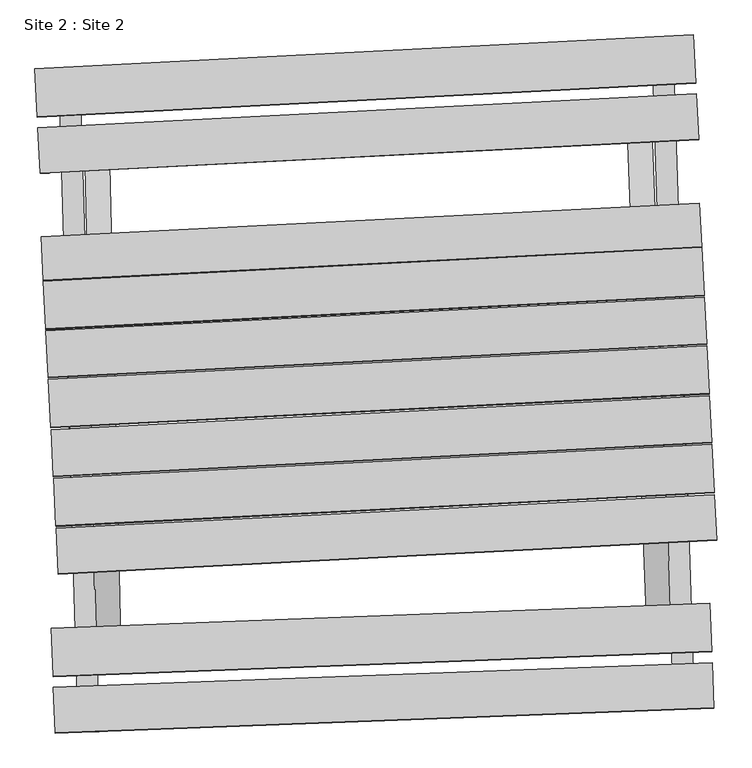
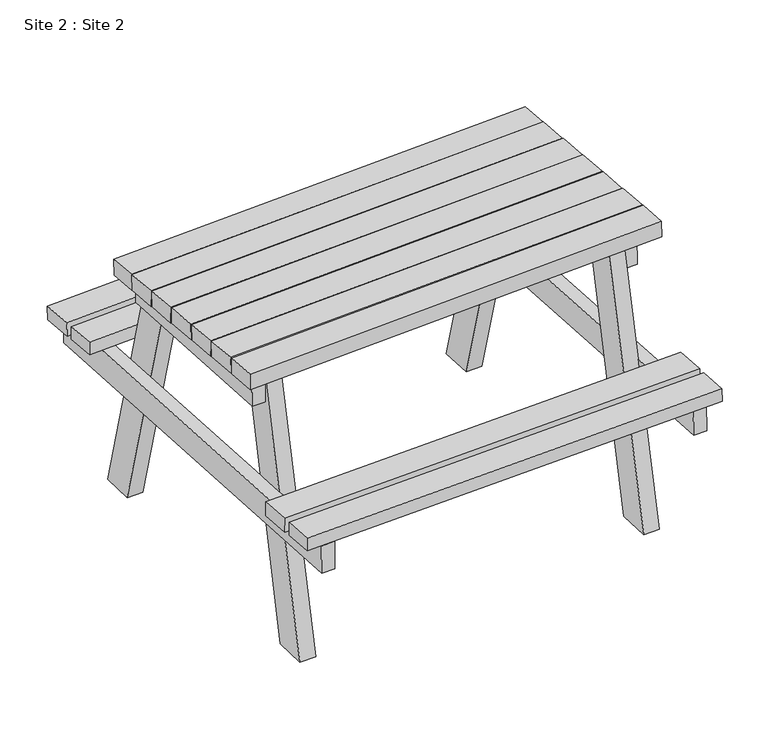
"""IFC4 building model written with IfcOpenShell, lengths in millimetres: geographic element geometry, Site 2 : Site 2."""

from ifc_helpers import new_model, si_unit, frame, origin, place, context, project, spatial, polyline, outline, extrude, source, transform, mapped, element, save


def site_2_site_2_727d0e8b(model_context):
    return source(origin(), model_context, "Body", "SweptSolid", [
        extrude(outline(polyline([(0.0, -1325.7395413), (0.0, 0.0), (41.9242065, 0.0), (41.9242065, -1325.7395414), (0.0, -1325.7395413)])), frame((-47779.3174229, 45191.5875393, 108672.5891003), z_axis=(-0.0006735966751190146, 0.023008745393763918, 0.9997350368487263), x_axis=(0.9995717425342412, 0.029263142809015215, 0.0)), (0.0, 0.0, 1.0), 88.5834396),
        extrude(outline(polyline([(1e-07, -603.8437159), (0.0, 0.0), (41.9242065, -1e-07), (41.9242066, -603.8437159), (1e-07, -603.8437159)])), frame((-47764.4378251, 44827.0014547, 109021.874413), z_axis=(-0.0006686049823234449, 0.029676223269421292, 0.9995593402794261), x_axis=(0.9997462963799275, 0.022524273009759774, 0.0)), (0.0, 0.0, 1.0), 88.5834396),
        extrude(outline(polyline([(-859.0754029, 0.0), (0.0, 0.0), (109.7326039, -595.6709648), (-643.5437971, -975.0458667), (-665.0274029, -875.4091455), (8.1948158, -536.5313584), (-73.3138899, -94.6874615), (-837.4827433, -100.1424912), (-859.0754029, 0.0)])), frame((-47708.9889449, 44227.1771666, 109128.6260445), z_axis=(0.9997462963799291, 0.022524273009691717, 0.0), x_axis=(-0.00474756187785273, 0.21072189109899578, 0.977534523824033)), (0.0, 0.0, 1.0), 49.4398903),
        extrude(outline(polyline([(1e-07, -1323.6318325), (0.0, 0.0), (41.9242066, 0.0), (41.9242065, -1323.6318325), (1e-07, -1323.6318325)])), frame((-46506.3838106, 43928.3999387, 108703.0695695), z_axis=(-0.0007454031878375496, 0.023006531054533895, 0.9997350368487266), x_axis=(-0.9994755447241307, -0.03238264193054949, 0.0)), (0.0, 0.0, 1.0), 88.5834396),
        extrude(outline(polyline([(-1e-07, -603.8437159), (0.0, 0.0), (41.9242065, 1e-07), (41.9242065, -603.8437159), (-1e-07, -603.8437159)])), frame((-46518.0102982, 44283.0612813, 109039.8110745), z_axis=(-0.0011612125092832738, 0.029661032444391146, 0.999559340279426), x_axis=(-0.9992345408601923, -0.03911946257198472, 0.0)), (0.0, 0.0, 1.0), 88.5834396),
        extrude(outline(polyline([(0.0, 0.0), (-181.0719321, -839.7758649), (-786.4897947, -821.4905081), (-998.5697499, -5.1739365), (-896.6432003, -5.1739365), (-707.2771234, -734.698987), (-258.1794327, -748.151222), (-102.4439433, 0.0), (0.0, 0.0)])), frame((-46602.3249465, 44101.2083746, 108288.8624928), z_axis=(0.9992345408601934, 0.039119462571955546, 0.0), x_axis=(0.039119462571955546, -0.9992345408601934, 0.0)), (0.0, 0.0, 1.0), 49.4398903),
        extrude(outline(polyline([(0.0, -90.9539625), (0.0, 0.0), (1320.8588335, 0.0), (1320.8588335, -90.9539625), (0.0, -90.9539625)])), frame((-46497.2678621, 45053.4026696, 108769.6357031), z_axis=(-0.0008199071821712255, 0.016002507034027773, 0.9998716155191317), x_axis=(-0.9986900060353021, -0.051169051634834456, 0.0)), (0.0, 0.0, 1.0), 40.9034889),
        extrude(outline(polyline([(0.0, -95.9533206), (0.0, 0.0), (1320.8588336, -1e-07), (1320.8588336, -95.9533205), (0.0, -95.9533206)])), frame((-46503.0445859, 45166.1496556, 108765.0412199), z_axis=(-0.0013570840258460767, 0.026486835512112086, 0.9996482410665769), x_axis=(-0.9986900060353021, -0.051169051634834456, 0.0)), (0.0, 0.0, 1.0), 44.0508154),
        extrude(outline(polyline([(-1e-07, -90.9539624), (0.0, 0.0), (1320.8588335, 0.0), (1320.8588335, -90.9539625), (-1e-07, -90.9539624)])), frame((-46466.5982772, 43915.0008203, 108793.6424435), z_axis=(-0.0006021319283227957, 0.01601218024824878, 0.999871615519132), x_axis=(-0.9992936953414394, -0.03757805810377139, 0.0)), (0.0, 0.0, 1.0), 40.9034889),
        extrude(outline(polyline([(0.0, -95.9533205), (0.0, 0.0), (1320.8588335, 0.0), (1320.8588335, -95.9533206), (0.0, -95.9533205)])), frame((-46470.8406474, 44027.8159598, 108789.0479603), z_axis=(-0.0009966294223875513, 0.02650284630550688, 0.9996482410665771), x_axis=(-0.9992936953414394, -0.03757805810377139, 0.0)), (0.0, 0.0, 1.0), 44.0508154),
        extrude(outline(polyline([(0.0, -90.9539625), (0.0, 0.0), (1320.8588336, 0.0), (1320.8588336, -90.9539625), (0.0, -90.9539625)])), frame((-46460.9029425, 44251.0644361, 109129.2471213), z_axis=(-0.0008199071821713037, 0.0160025070340293, 0.9998716155191318), x_axis=(-0.9986900060353021, -0.051169051634834456, 0.0)), (0.0, 0.0, 1.0), 50.9022051),
        extrude(outline(polyline([(0.0, -95.9533206), (0.0, 0.0), (1320.8588335, 0.0), (1320.8588335, -95.9533205), (0.0, -95.9533206)])), frame((-46465.7831081, 44346.3128799, 109127.801091), z_axis=(-0.0013570840258551875, 0.02648683551228991, 0.9996482410665722), x_axis=(-0.9986900060353021, -0.051169051634834456, 0.0)), (0.0, 0.0, 1.0), 50.9022051),
        extrude(outline(polyline([(0.0, -93.4736709), (0.0, 0.0), (1320.8588335, -1e-07), (1320.8588336, -93.473671), (0.0, -93.4736709)])), frame((-46470.9047075, 44446.2735006, 109123.5360633), z_axis=(-0.0008199071821670147, 0.016002507033945592, 0.9998716155191331), x_axis=(-0.9986900060353021, -0.051169051634834456, 0.0)), (0.0, 0.0, 1.0), 50.9022051),
        extrude(outline(polyline([(0.0, -95.9533206), (0.0, 0.0), (1320.8588335, 0.0), (1320.8588335, -95.9533205), (0.0, -95.9533206)])), frame((-46475.91273, 44544.0173874, 109120.7599257), z_axis=(-0.0013570840258550652, 0.02648683551228752, 0.9996482410665724), x_axis=(-0.9986900060353021, -0.051169051634834456, 0.0)), (0.0, 0.0, 1.0), 50.9022051),
        extrude(outline(polyline([(0.0, -93.4736709), (0.0, 0.0), (1320.8588335, 0.0), (1320.8588335, -93.4736708), (0.0, -93.4736709)])), frame((-46481.0404867, 44644.0981825, 109117.1945636), z_axis=(-0.0008199071821670108, 0.016002507033945516, 0.9998716155191331), x_axis=(-0.9986900060353021, -0.051169051634834456, 0.0)), (0.0, 0.0, 1.0), 50.9022051),
        extrude(outline(polyline([(0.0, -95.9533206), (0.0, 0.0), (1320.8588336, -1e-07), (1320.8588336, -95.9533206), (0.0, -95.9533206)])), frame((-46485.9845478, 44740.5937067, 109114.418426), z_axis=(-0.001357084025855059, 0.0264868355122874, 0.9996482410665724), x_axis=(-0.9986900060353021, -0.051169051634834456, 0.0)), (0.0, 0.0, 1.0), 50.9022051),
        extrude(outline(polyline([(0.0, -87.2063984), (0.0, 0.0), (1320.8588336, 0.0), (1320.8588335, -87.2063985), (0.0, -87.2063984)])), frame((-46490.9692031, 44837.8815259, 109111.8339059), z_axis=(-0.0013570840258501913, 0.026486835512192396, 0.9996482410665749), x_axis=(-0.9986900060353021, -0.051169051634834456, 0.0)), (0.0, 0.0, 1.0), 50.9022051),
    ])


if __name__ == "__main__":
    model = new_model("IFC4")
    model_context = context("Model", 3, world=origin())
    ifc_project = project(units=[si_unit("LENGTHUNIT", "METRE", prefix="MILLI")], contexts=[model_context])
    site = spatial("IfcSite", under=ifc_project)
    building = spatial("IfcBuilding", under=site)
    placement = place(None, origin())
    site_2_site_2_shape = site_2_site_2_727d0e8b(model_context)
    element("IfcGeographicElement", 1, ObjectType="Site 2 : Site 2", at=placement, inside=building, context=model_context, shape_type="MappedRepresentation", body=[
        mapped(site_2_site_2_shape, transform((0.0, 0.0, 0.0), x_axis=(1.0, 0.0, 0.0), y_axis=(0.0, 1.0, 0.0), z_axis=(0.0, 0.0, 1.0))),
    ])
    save(model, "model.ifc")
